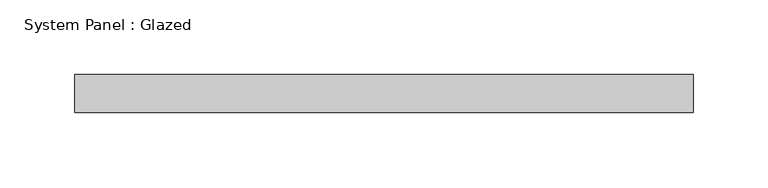
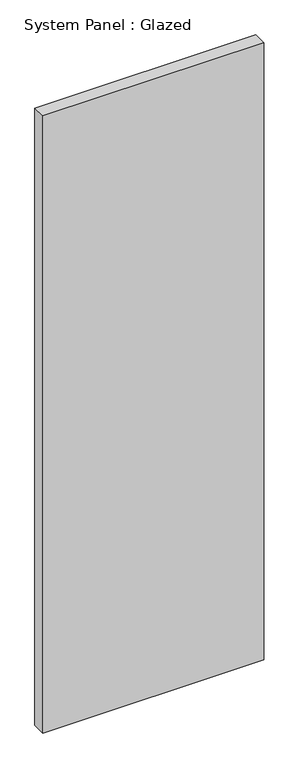
"""IFC4 building model written with IfcOpenShell, lengths in millimetres: plate geometry, System Panel : Glazed."""

import ifcopenshell
import ifcopenshell.guid

model = None  # the IFC model being written
_history = None  # IfcOwnerHistory: only IFC2X3 demands one
_inside = {}  # id of a spatial element -> (the spatial element, [elements in it])
_under = {}  # id of a project, library or spatial element -> (it, [spatial elements below it])
_declared = {}  # id of a project -> (the project, [libraries it declares])
_typed = {}  # id of a type object -> (the type object, [elements of that type])
_made_of = {}  # id of a material, layer set ... -> (it, [elements and type objects made of it])


def new_model(schema):
    """Start an empty IFC model of exactly this schema.

    Asked for "IFC4X3", IfcOpenShell would pick the latest addendum, in which some entities
    have other attributes; the version numbers below select the first issue.
    IFC2X3 requires an IfcOwnerHistory on every rooted entity: one is made here for all.
    """
    global model, _history
    if schema == "IFC4X3":
        model = ifcopenshell.file(schema_version=(4, 3, 0, 0))
    else:
        model = ifcopenshell.file(schema=schema)
    _inside.clear()
    _under.clear()
    _declared.clear()
    _typed.clear()
    _made_of.clear()
    _history = None
    if model.schema == "IFC2X3":
        org = make("IfcOrganization", Name="unknown")
        user = make(
            "IfcPersonAndOrganization",
            ThePerson=make("IfcPerson", FamilyName="unknown"),
            TheOrganization=org,
        )
        app = make(
            "IfcApplication",
            ApplicationDeveloper=org,
            Version="unknown",
            ApplicationFullName="unknown",
            ApplicationIdentifier="unknown",
        )
        _history = make(
            "IfcOwnerHistory",
            OwningUser=user,
            OwningApplication=app,
            ChangeAction="ADDED",
            CreationDate=0,
        )
    return model


def make(cls, **values):
    """One entity of the class cls with the attributes given. An attribute that is None is left unset."""
    return model.create_entity(
        cls, **{name: value for name, value in values.items() if value is not None}
    )


def rooted(cls, **values):
    """An entity with a GlobalId (a new one), such as an element, a storey or a relation."""
    return make(cls, GlobalId=ifcopenshell.guid.new(), OwnerHistory=_history, **values)


def si_unit(unit_type, name, prefix=None):
    """IfcSIUnit, for example si_unit("LENGTHUNIT", "METRE", prefix="MILLI")."""
    return make("IfcSIUnit", UnitType=unit_type, Prefix=prefix, Name=name)


def assignment(units):
    """IfcUnitAssignment: the units of a project."""
    return None if units is None else make("IfcUnitAssignment", Units=units)


def point(xyz):
    """IfcCartesianPoint."""
    return None if xyz is None else make("IfcCartesianPoint", Coordinates=xyz)


def direction(xyz):
    """IfcDirection."""
    return None if xyz is None else make("IfcDirection", DirectionRatios=xyz)


def frame(location, z_axis=None, x_axis=None):
    """IfcAxis2Placement3D, a coordinate frame: its origin and axes. An axis left out is left unset."""
    return make(
        "IfcAxis2Placement3D",
        Location=point(location),
        Axis=direction(z_axis),
        RefDirection=direction(x_axis),
    )


def origin():
    """The frame at (0, 0, 0) with its axes left unset."""
    return frame((0.0, 0.0, 0.0))


def origin_with_axes():
    """The frame at (0, 0, 0) with the z axis (0, 0, 1) and the x axis (1, 0, 0) written out."""
    return frame((0.0, 0.0, 0.0), z_axis=(0.0, 0.0, 1.0), x_axis=(1.0, 0.0, 0.0))


def place(relative_to, where):
    """IfcLocalPlacement: puts the frame where relative to a parent placement (None: the world)."""
    return make(
        "IfcLocalPlacement", PlacementRelTo=relative_to, RelativePlacement=where
    )


def context(
    kind, dimensions, precision=None, world=None, true_north=None, identifier=None
):
    """IfcGeometricRepresentationContext, for example the 3D "Model" context."""
    return make(
        "IfcGeometricRepresentationContext",
        ContextIdentifier=identifier,
        ContextType=kind,
        CoordinateSpaceDimension=dimensions,
        Precision=precision,
        WorldCoordinateSystem=world,
        TrueNorth=true_north,
    )


def project(units=None, contexts=None):
    """IfcProject with its units and contexts."""
    return rooted(
        "IfcProject",
        Name="project",
        RepresentationContexts=contexts,
        UnitsInContext=assignment(units),
    )


def spatial(cls, under=None, at=None, **own):
    """A site, building, storey or space (cls), placed at a placement, below another one or the project."""
    s = rooted(cls, ObjectPlacement=at, **own)
    if under is not None:
        _under.setdefault(under.id(), (under, []))[1].append(s)
    return s


def polyline(points):
    """IfcPolyline through the points."""
    return make("IfcPolyline", Points=[point(p) for p in points])


def outline(outer, holes=None, kind="AREA"):
    """IfcArbitraryClosedProfileDef: a profile drawn as a closed curve; with holes, ...WithVoids."""
    if holes is None:
        return make("IfcArbitraryClosedProfileDef", ProfileType=kind, OuterCurve=outer)
    return make(
        "IfcArbitraryProfileDefWithVoids",
        ProfileType=kind,
        OuterCurve=outer,
        InnerCurves=holes,
    )


def extrude(swept, where, along, depth):
    """IfcExtrudedAreaSolid: the profile swept, set in the frame where, extruded along a direction by depth."""
    return make(
        "IfcExtrudedAreaSolid",
        SweptArea=swept,
        Position=where,
        ExtrudedDirection=direction(along),
        Depth=depth,
    )


def shape(context_of_items, identifier, shape_type, items):
    """IfcShapeRepresentation: the items that make up one representation, for example the "Body"."""
    return make(
        "IfcShapeRepresentation",
        ContextOfItems=context_of_items,
        RepresentationIdentifier=identifier,
        RepresentationType=shape_type,
        Items=items,
    )


def source(mapping_origin, context_of_items, identifier, shape_type, items):
    """IfcRepresentationMap: a shape defined once, which mapped items show again and again."""
    return make(
        "IfcRepresentationMap",
        MappingOrigin=mapping_origin,
        MappedRepresentation=shape(context_of_items, identifier, shape_type, items),
    )


def transform(
    local_origin,
    x_axis=None,
    y_axis=None,
    z_axis=None,
    scale=None,
    scale2=None,
    scale3=None,
    uniform=True,
):
    """IfcCartesianTransformationOperator3D, or its non-uniform kind. x_axis, y_axis, z_axis: its Axis1, 2, 3."""
    if uniform:
        return make(
            "IfcCartesianTransformationOperator3D",
            Axis1=direction(x_axis),
            Axis2=direction(y_axis),
            LocalOrigin=point(local_origin),
            Scale=scale,
            Axis3=direction(z_axis),
        )
    return make(
        "IfcCartesianTransformationOperator3DnonUniform",
        Axis1=direction(x_axis),
        Axis2=direction(y_axis),
        LocalOrigin=point(local_origin),
        Scale=scale,
        Axis3=direction(z_axis),
        Scale2=scale2,
        Scale3=scale3,
    )


def mapped(mapping_source, mapping_target):
    """IfcMappedItem: shows the shape of a source again, moved by a transform."""
    return make(
        "IfcMappedItem", MappingSource=mapping_source, MappingTarget=mapping_target
    )


def made_of(thing, what):
    """Note that an element or type object is made of a material, layer set ...; save() writes the relation."""
    if what is not None:
        _made_of.setdefault(what.id(), (what, []))[1].append(thing)
    return thing


def element(
    cls,
    number,
    at=None,
    inside=None,
    cuts=None,
    type_object=None,
    material=None,
    context=None,
    identifier="Body",
    shape_type=None,
    held_by="IfcProductDefinitionShape",
    body=None,
    shapes=None,
    **own,
):
    """One element of the class cls, such as IfcWall. Its Tag is "e" and its number.

    at: its placement. inside: the storey or other place that contains it. cuts: it is an
    opening in that element (IfcRelVoidsElement). A single representation is given by context,
    identifier, shape_type and body (its items); several are given by shapes. held_by: the class
    of the entity that holds the representations. save() writes the other relations.
    """
    e = rooted(cls, Tag="e%d" % number, ObjectPlacement=at, **own)
    if body is not None:
        shapes = [shape(context, identifier, shape_type, body)]
    if shapes is not None:
        e.Representation = make(held_by, Representations=shapes)
    if inside is not None:
        _inside.setdefault(inside.id(), (inside, []))[1].append(e)
    if cuts is not None:
        rooted(
            "IfcRelVoidsElement", RelatingBuildingElement=cuts, RelatedOpeningElement=e
        )
    if type_object is not None:
        _typed.setdefault(type_object.id(), (type_object, []))[1].append(e)
    return made_of(e, material)


def aggregate(whole, parts):
    """IfcRelAggregates: a whole, such as a stair, and the parts it consists of."""
    return rooted("IfcRelAggregates", RelatingObject=whole, RelatedObjects=parts)


def save(model, path):
    """Write the relations noted so far, then the file.

    IfcRelAggregates (storeys below a building ...), IfcRelContainedInSpatialStructure (elements
    in a storey), IfcRelDefinesByType, IfcRelAssociatesMaterial and IfcRelDeclares: one each for
    every whole, place, type object, material and project.
    """
    for whole, parts in _under.values():
        aggregate(whole, parts)
    for where, things in _inside.values():
        rooted(
            "IfcRelContainedInSpatialStructure",
            RelatedElements=things,
            RelatingStructure=where,
        )
    for kind, things in _typed.values():
        rooted("IfcRelDefinesByType", RelatedObjects=things, RelatingType=kind)
    for what, things in _made_of.values():
        rooted("IfcRelAssociatesMaterial", RelatedObjects=things, RelatingMaterial=what)
    for by, libraries in _declared.values():
        rooted("IfcRelDeclares", RelatingContext=by, RelatedDefinitions=libraries)
    model.write(path)


def system_panel_glazed_a95be9ba(model_context):
    return source(origin(), model_context, "Body", "SweptSolid", [
        extrude(outline(polyline([(206.375, 19.05), (-206.375, 19.05), (-206.375, 44.45), (206.375, 44.45), (206.375, 19.05)])), origin_with_axes(), (0.0, 0.0, 1.0), 1219.2),
    ])


if __name__ == "__main__":
    model = new_model("IFC4")
    model_context = context("Model", 3, world=origin())
    ifc_project = project(units=[si_unit("LENGTHUNIT", "METRE", prefix="MILLI")], contexts=[model_context])
    site = spatial("IfcSite", under=ifc_project)
    building = spatial("IfcBuilding", under=site)
    placement = place(None, origin())
    system_panel_glazed_shape = system_panel_glazed_a95be9ba(model_context)
    element("IfcPlate", 1, ObjectType="System Panel : Glazed", at=placement, inside=building, context=model_context, shape_type="MappedRepresentation", body=[
        mapped(system_panel_glazed_shape, transform((0.0, 0.0, 0.0), x_axis=(1.0, 0.0, 0.0), y_axis=(0.0, 1.0, 0.0), z_axis=(0.0, 0.0, 1.0))),
    ])
    save(model, "model.ifc")
